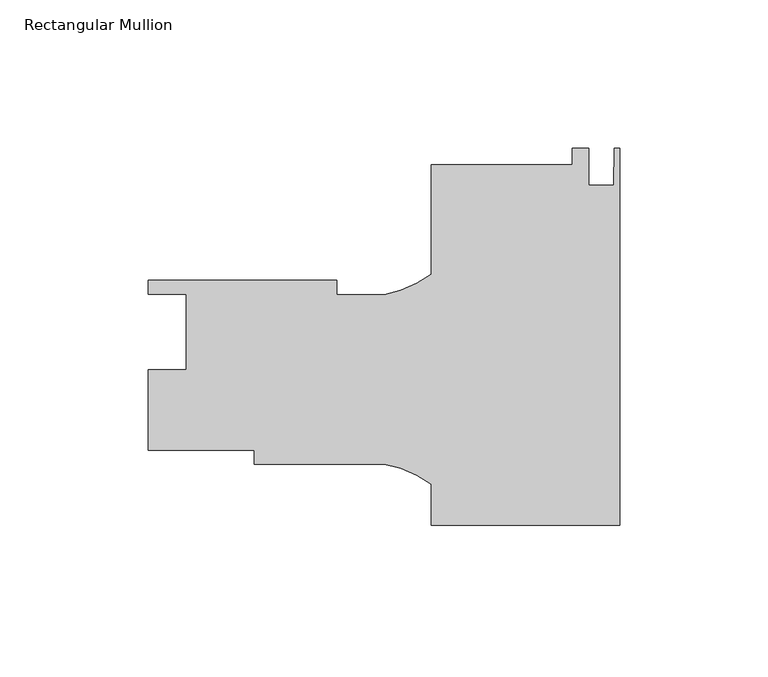
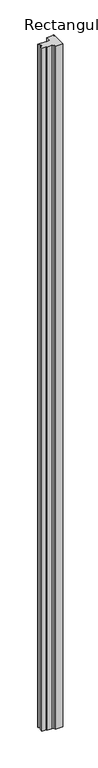
"""IFC4 building model written with IfcOpenShell, lengths in millimetres: member geometry, Rectangular Mullion."""

from ifc_helpers import new_model, si_unit, point, frame, frame_2d, origin, place, context, project, spatial, polyline, circle_curve, trimmed, segment, composite_curve, outline, extrude, source, transform, mapped, element, save


def rectangular_mullion_83762866(model_context):
    return source(origin(), model_context, "Body", "SweptSolid", [
        extrude(outline(composite_curve([segment(polyline([(0.0, -63.952695), (-63.5, -63.952695), (-63.5, -50.1696104)]), True, "CONTINUOUS"), segment(trimmed(circle_curve(frame_2d((-85.6843006, -79.7136475)), 36.945816), [point((-63.5, -50.1696104))], [point((-79.3172861, -43.3205925))], True, "CARTESIAN"), True, "CONTINUOUS"), segment(polyline([(-79.3172861, -43.3205925), (-123.1500517, -43.3205925), (-123.1500517, -38.5580925), (-158.75, -38.5580925), (-158.75, -11.5070925), (-146.05, -11.5070925), (-146.05, 13.8929075), (-158.75, 13.8929075), (-158.75, 18.5919075), (-95.25, 18.5919075), (-95.25, 13.8294075), (-79.3187366, 13.8294075)]), True, "CONTINUOUS"), segment(trimmed(circle_curve(frame_2d((-85.6843006, 50.2227161)), 36.945816), [point((-79.3187366, 13.8294075))], [point((-63.5, 20.678679))], True, "CARTESIAN"), True, "CONTINUOUS"), segment(polyline([(-63.5, 20.678679), (-63.5, 57.484705), (-15.875, 57.484705), (-15.875, 63.0608168), (-10.3124, 63.0608168), (-10.3124, 50.702905), (-2.032, 50.702905), (-1.778, 63.047305), (0.0, 63.047305), (0.0, -63.952695)]), True, "CONTINUOUS")], self_intersect=False)), frame((0.0, 0.0, -6032.5), z_axis=(0.0, 0.0, 1.0), x_axis=(1.0, 0.0, 0.0)), (0.0, 0.0, 1.0), 6032.5),
    ])


if __name__ == "__main__":
    model = new_model("IFC4")
    model_context = context("Model", 3, world=origin())
    ifc_project = project(units=[si_unit("LENGTHUNIT", "METRE", prefix="MILLI")], contexts=[model_context])
    site = spatial("IfcSite", under=ifc_project)
    building = spatial("IfcBuilding", under=site)
    placement = place(None, origin())
    rectangular_mullion_shape = rectangular_mullion_83762866(model_context)
    element("IfcMember", 1, ObjectType="Rectangular Mullion", at=placement, inside=building, context=model_context, shape_type="MappedRepresentation", body=[
        mapped(rectangular_mullion_shape, transform((0.0, 0.0, 0.0), x_axis=(1.0, 0.0, 0.0), y_axis=(0.0, 1.0, 0.0), z_axis=(0.0, 0.0, 1.0))),
    ])
    save(model, "model.ifc")
